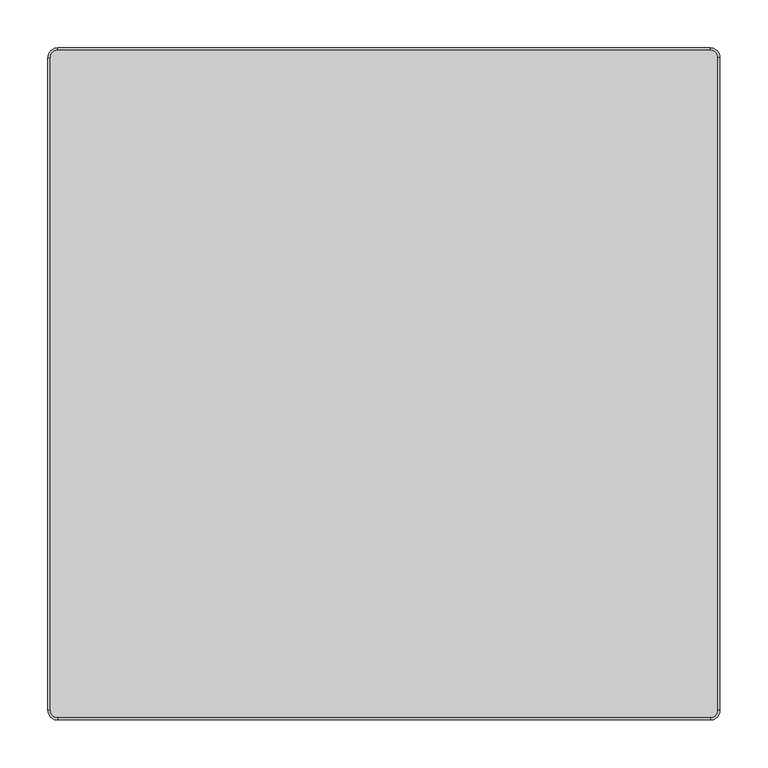
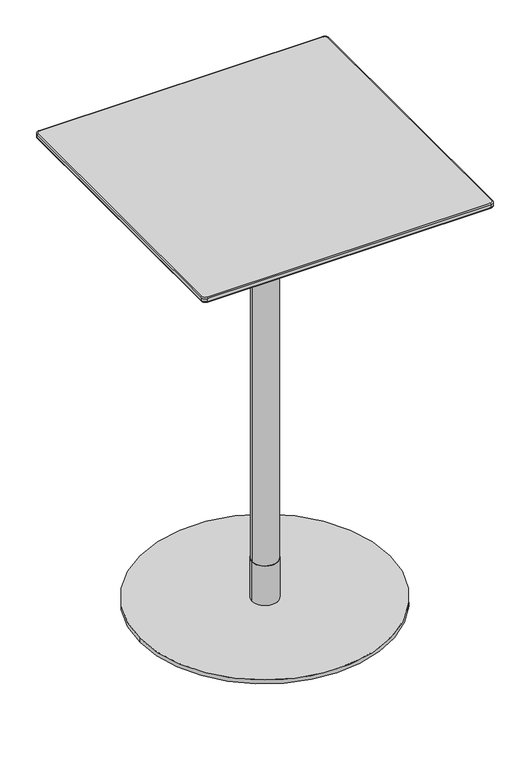
"""IFC4 building model written with IfcOpenShell, lengths in millimetres: furniture geometry."""

from ifc_helpers import new_model, si_unit, point, frame, origin, origin_with_axes, origin_2d, place, context, project, spatial, polyline, circle_curve, ellipse_curve, trimmed, segment, composite_curve, outline, extrude, source, transform, mapped, element, save
from ifc_brep_helpers import plane_surface, cylinder_surface, revolved_surface, spline_surface, advanced_brep


def furniture_ccc859fe(model_context):
    return source(origin(), model_context, "Body", "SolidModel", [
        advanced_brep(
        [(-340.0, -348.6840403, 1088.2400004), (-340.0, -350.0, 1090.1193857), (-350.0, -340.0, 1090.1193857), (-348.6840403, -340.0, 1088.2400004), (-340.0, -350.0, 1098.0), (-340.0, -348.0, 1100.0), (-348.0, -340.0, 1100.0), (-350.0, -340.0, 1098.0), (340.0, -348.6840403, 1088.2400004), (340.0, -350.0, 1090.1193857), (340.0, -350.0, 1098.0), (340.0, -348.0, 1100.0), (348.6840403, -340.0, 1088.2400004), (350.0, -340.0, 1090.1193857), (350.0, -340.0, 1098.0), (348.0, -340.0, 1100.0), (348.6840403, 340.0, 1088.2400004), (350.0, 340.0, 1090.1193857), (350.0, 340.0, 1098.0), (348.0, 340.0, 1100.0), (340.0, 348.6840403, 1088.2400004), (340.0, 350.0, 1090.1193857), (340.0, 350.0, 1098.0), (340.0, 348.0, 1100.0), (-340.0, 348.6840403, 1088.2400004), (-340.0, 350.0, 1090.1193857), (-340.0, 350.0, 1098.0), (-340.0, 348.0, 1100.0), (-348.6840403, 340.0, 1088.2400004), (-350.0, 340.0, 1090.1193857), (-350.0, 340.0, 1098.0), (-348.0, 340.0, 1100.0)],
        [
            (0, 1, circle_curve(frame((-340.0, -348.0, 1090.1193857), z_axis=(-1.0, 0.0, 0.0), x_axis=(0.0, 1.0, 0.0)), 2.0)),
            (1, 2, circle_curve(frame((-340.0, -340.0, 1090.1193857), z_axis=(0.0, 0.0, -1.0), x_axis=(-1.0, 0.0, 0.0)), 10.0)),
            (2, 3, circle_curve(frame((-348.0, -340.0, 1090.1193857), z_axis=(0.0, -1.0, 0.0), x_axis=(1.0, 0.0, 0.0)), 2.0)),
            (3, 0, circle_curve(frame((-340.0, -340.0, 1088.2400004), z_axis=(0.0, 0.0, 1.0), x_axis=(-1.0, 0.0, 0.0)), 8.6840403)),
            (4, 5, circle_curve(frame((-340.0, -348.0, 1098.0), z_axis=(-1.0, 0.0, 0.0), x_axis=(0.0, 1.0, 0.0)), 2.0)),
            (5, 6, circle_curve(frame((-340.0, -340.0, 1100.0), z_axis=(0.0, 0.0, -1.0), x_axis=(-1.0, 0.0, 0.0)), 8.0)),
            (6, 7, circle_curve(frame((-348.0, -340.0, 1098.0), z_axis=(0.0, -1.0, 0.0), x_axis=(1.0, 0.0, 0.0)), 2.0)),
            (7, 4, circle_curve(frame((-340.0, -340.0, 1098.0), z_axis=(0.0, 0.0, 1.0), x_axis=(-1.0, 0.0, 0.0)), 10.0)),
            (0, 8),
            (8, 9, circle_curve(frame((340.0, -348.0, 1090.1193857), z_axis=(-1.0, 0.0, 0.0), x_axis=(0.0, 1.0, 0.0)), 2.0)),
            (9, 1),
            (4, 10),
            (10, 11, circle_curve(frame((340.0, -348.0, 1098.0), z_axis=(-1.0, 0.0, 0.0), x_axis=(0.0, 1.0, 0.0)), 2.0)),
            (11, 5),
            (8, 12, circle_curve(frame((340.0, -340.0, 1088.2400004), z_axis=(0.0, 0.0, 1.0), x_axis=(0.0, -1.0, 0.0)), 8.6840403)),
            (12, 13, circle_curve(frame((348.0, -340.0, 1090.1193857), z_axis=(0.0, -1.0, 0.0), x_axis=(-1.0, 0.0, 0.0)), 2.0)),
            (13, 9, circle_curve(frame((340.0, -340.0, 1090.1193857), z_axis=(0.0, 0.0, -1.0), x_axis=(0.0, -1.0, 0.0)), 10.0)),
            (10, 14, circle_curve(frame((340.0, -340.0, 1098.0), z_axis=(0.0, 0.0, 1.0), x_axis=(0.0, -1.0, 0.0)), 10.0)),
            (14, 15, circle_curve(frame((348.0, -340.0, 1098.0), z_axis=(0.0, -1.0, 0.0), x_axis=(-1.0, 0.0, 0.0)), 2.0)),
            (15, 11, circle_curve(frame((340.0, -340.0, 1100.0), z_axis=(0.0, 0.0, -1.0), x_axis=(0.0, -1.0, 0.0)), 8.0)),
            (12, 16),
            (16, 17, circle_curve(frame((348.0, 340.0, 1090.1193857), z_axis=(0.0, -1.0, 0.0), x_axis=(-1.0, 0.0, 0.0)), 2.0)),
            (17, 13),
            (14, 18),
            (18, 19, circle_curve(frame((348.0, 340.0, 1098.0), z_axis=(0.0, -1.0, 0.0), x_axis=(-1.0, 0.0, 0.0)), 2.0)),
            (19, 15),
            (16, 20, circle_curve(frame((340.0, 340.0, 1088.2400004), z_axis=(0.0, 0.0, 1.0), x_axis=(1.0, 0.0, 0.0)), 8.6840403)),
            (20, 21, circle_curve(frame((340.0, 348.0, 1090.1193857), z_axis=(1.0, 0.0, 0.0), x_axis=(0.0, -1.0, 0.0)), 2.0)),
            (21, 17, circle_curve(frame((340.0, 340.0, 1090.1193857), z_axis=(0.0, 0.0, -1.0), x_axis=(1.0, 0.0, 0.0)), 10.0)),
            (18, 22, circle_curve(frame((340.0, 340.0, 1098.0), z_axis=(0.0, 0.0, 1.0), x_axis=(1.0, 0.0, 0.0)), 10.0)),
            (22, 23, circle_curve(frame((340.0, 348.0, 1098.0), z_axis=(1.0, 0.0, 0.0), x_axis=(0.0, -1.0, 0.0)), 2.0)),
            (23, 19, circle_curve(frame((340.0, 340.0, 1100.0), z_axis=(0.0, 0.0, -1.0), x_axis=(1.0, 0.0, 0.0)), 8.0)),
            (20, 24),
            (24, 25, circle_curve(frame((-340.0, 348.0, 1090.1193857), z_axis=(1.0, 0.0, 0.0), x_axis=(0.0, -1.0, 0.0)), 2.0)),
            (25, 21),
            (22, 26),
            (26, 27, circle_curve(frame((-340.0, 348.0, 1098.0), z_axis=(1.0, 0.0, 0.0), x_axis=(0.0, -1.0, 0.0)), 2.0)),
            (27, 23),
            (24, 28, circle_curve(frame((-340.0, 340.0, 1088.2400004), z_axis=(0.0, 0.0, 1.0), x_axis=(0.0, 1.0, 0.0)), 8.6840403)),
            (28, 29, circle_curve(frame((-348.0, 340.0, 1090.1193857), z_axis=(0.0, 1.0, 0.0), x_axis=(1.0, 0.0, 0.0)), 2.0)),
            (29, 25, circle_curve(frame((-340.0, 340.0, 1090.1193857), z_axis=(0.0, 0.0, -1.0), x_axis=(0.0, 1.0, 0.0)), 10.0)),
            (26, 30, circle_curve(frame((-340.0, 340.0, 1098.0), z_axis=(0.0, 0.0, 1.0), x_axis=(0.0, 1.0, 0.0)), 10.0)),
            (30, 31, circle_curve(frame((-348.0, 340.0, 1098.0), z_axis=(0.0, 1.0, 0.0), x_axis=(1.0, 0.0, 0.0)), 2.0)),
            (31, 27, circle_curve(frame((-340.0, 340.0, 1100.0), z_axis=(0.0, 0.0, -1.0), x_axis=(0.0, 1.0, 0.0)), 8.0)),
            (2, 29),
            (28, 3),
            (6, 31),
            (30, 7),
            (22, 21),
            (25, 26),
            (30, 29),
            (2, 7),
            (4, 1),
            (9, 10),
            (14, 13),
            (17, 18),
        ],
        [
            revolved_surface(trimmed(ellipse_curve(frame((-348.0, -340.0, 1090.1193857), z_axis=(0.0, 1.0, 0.0), x_axis=(1.0, 0.0, 0.0)), 2.0, 2.0), [point((-348.6840403, -340.0, 1088.2400004))], [point((-350.0, -340.0, 1090.1193857))], True, "CARTESIAN"), (-340.0, -340.0, 370.0), (0.0, 0.0, 1.0)),
            revolved_surface(trimmed(ellipse_curve(frame((-348.0, -340.0, 1098.0), z_axis=(0.0, 1.0, 0.0), x_axis=(1.0, 0.0, 0.0)), 2.0, 2.0), [point((-350.0, -340.0, 1098.0))], [point((-348.0, -340.0, 1100.0))], True, "CARTESIAN"), (-340.0, -340.0, 370.0), (0.0, 0.0, 1.0)),
            cylinder_surface(frame((-340.0, -348.0, 1090.1193857), z_axis=(1.0, 0.0, 0.0), x_axis=(0.0, 1.0, 0.0)), 2.0),
            cylinder_surface(frame((-340.0, -348.0, 1098.0), z_axis=(1.0, 0.0, 0.0), x_axis=(0.0, 1.0, 0.0)), 2.0),
            revolved_surface(trimmed(ellipse_curve(frame((340.0, -348.0, 1090.1193857), z_axis=(-1.0, 0.0, 0.0), x_axis=(0.0, 1.0, 0.0)), 2.0, 2.0), [point((340.0, -348.6840403, 1088.2400004))], [point((340.0, -350.0, 1090.1193857))], True, "CARTESIAN"), (340.0, -340.0, 370.0), (0.0, 0.0, 1.0)),
            revolved_surface(trimmed(ellipse_curve(frame((340.0, -348.0, 1098.0), z_axis=(-1.0, 0.0, 0.0), x_axis=(0.0, 1.0, 0.0)), 2.0, 2.0), [point((340.0, -350.0, 1098.0))], [point((340.0, -348.0, 1100.0))], True, "CARTESIAN"), (340.0, -340.0, 370.0), (0.0, 0.0, 1.0)),
            cylinder_surface(frame((348.0, -340.0, 1090.1193857), z_axis=(0.0, 1.0, 0.0), x_axis=(-1.0, 0.0, 0.0)), 2.0),
            cylinder_surface(frame((348.0, -340.0, 1098.0), z_axis=(0.0, 1.0, 0.0), x_axis=(-1.0, 0.0, 0.0)), 2.0),
            revolved_surface(trimmed(ellipse_curve(frame((348.0, 340.0, 1090.1193857), z_axis=(0.0, -1.0, 0.0), x_axis=(-1.0, 0.0, 0.0)), 2.0, 2.0), [point((348.6840403, 340.0, 1088.2400004))], [point((350.0, 340.0, 1090.1193857))], True, "CARTESIAN"), (340.0, 340.0, 370.0), (0.0, 0.0, 1.0)),
            revolved_surface(trimmed(ellipse_curve(frame((348.0, 340.0, 1098.0), z_axis=(0.0, -1.0, 0.0), x_axis=(-1.0, 0.0, 0.0)), 2.0, 2.0), [point((350.0, 340.0, 1098.0))], [point((348.0, 340.0, 1100.0))], True, "CARTESIAN"), (340.0, 340.0, 370.0), (0.0, 0.0, 1.0)),
            cylinder_surface(frame((340.0, 348.0, 1090.1193857), z_axis=(-1.0, 0.0, 0.0), x_axis=(0.0, -1.0, 0.0)), 2.0),
            cylinder_surface(frame((340.0, 348.0, 1098.0), z_axis=(-1.0, 0.0, 0.0), x_axis=(0.0, -1.0, 0.0)), 2.0),
            revolved_surface(trimmed(ellipse_curve(frame((-340.0, 348.0, 1090.1193857), z_axis=(1.0, 0.0, 0.0), x_axis=(0.0, -1.0, 0.0)), 2.0, 2.0), [point((-340.0, 348.6840403, 1088.2400004))], [point((-340.0, 350.0, 1090.1193857))], True, "CARTESIAN"), (-340.0, 340.0, 370.0), (0.0, 0.0, 1.0)),
            revolved_surface(trimmed(ellipse_curve(frame((-340.0, 348.0, 1098.0), z_axis=(1.0, 0.0, 0.0), x_axis=(0.0, -1.0, 0.0)), 2.0, 2.0), [point((-340.0, 350.0, 1098.0))], [point((-340.0, 348.0, 1100.0))], True, "CARTESIAN"), (-340.0, 340.0, 370.0), (0.0, 0.0, 1.0)),
            cylinder_surface(frame((-348.0, 340.0, 1090.1193857), z_axis=(0.0, -1.0, 0.0), x_axis=(1.0, 0.0, 0.0)), 2.0),
            cylinder_surface(frame((-348.0, 340.0, 1098.0), z_axis=(0.0, -1.0, 0.0), x_axis=(1.0, 0.0, 0.0)), 2.0),
            plane_surface(frame((-330.0, 350.0, 1100.0), z_axis=(0.0, 0.0, 1.0), x_axis=(-1.0, 0.0, 0.0))),
            plane_surface(frame((-330.0, 350.0, 1088.2400004), z_axis=(0.0, 0.0, -1.0), x_axis=(1.0, 0.0, 0.0))),
            plane_surface(frame((340.0, 350.0, 1100.0), z_axis=(0.0, 1.0, 0.0), x_axis=(0.0, 0.0, -1.0))),
            plane_surface(frame((-350.0, 340.0, 1100.0), z_axis=(-1.0, 0.0, 0.0), x_axis=(0.0, 0.0, -1.0))),
            plane_surface(frame((-340.0, -350.0, 1100.0), z_axis=(0.0, -1.0, 0.0), x_axis=(0.0, 0.0, -1.0))),
            plane_surface(frame((350.0, -340.0, 1100.0), z_axis=(1.0, 0.0, 0.0), x_axis=(0.0, 0.0, -1.0))),
            cylinder_surface(frame((-340.0, 340.0, 1088.2400004), z_axis=(0.0, 0.0, 1.0), x_axis=(1.0, 0.0, 0.0)), 10.0),
            cylinder_surface(frame((-340.0, -340.0, 1088.2400004), z_axis=(0.0, 0.0, 1.0), x_axis=(1.0, 0.0, 0.0)), 10.0),
            cylinder_surface(frame((340.0, -340.0, 1088.2400004), z_axis=(0.0, 0.0, 1.0), x_axis=(1.0, 0.0, 0.0)), 10.0),
            cylinder_surface(frame((340.0, 340.0, 1088.2400004), z_axis=(0.0, 0.0, 1.0), x_axis=(1.0, 0.0, 0.0)), 10.0),
        ],
        [
            (0, [[1, 2, 3, 4]]),
            (1, [[5, 6, 7, 8]]),
            (2, [[-1, 9, 10, 11]]),
            (3, [[-5, 12, 13, 14]]),
            (4, [[-10, 15, 16, 17]]),
            (5, [[-13, 18, 19, 20]]),
            (6, [[-16, 21, 22, 23]]),
            (7, [[-19, 24, 25, 26]]),
            (8, [[-22, 27, 28, 29]]),
            (9, [[-25, 30, 31, 32]]),
            (10, [[-28, 33, 34, 35]]),
            (11, [[-31, 36, 37, 38]]),
            (12, [[-34, 39, 40, 41]]),
            (13, [[-37, 42, 43, 44]]),
            (14, [[-3, 45, -40, 46]]),
            (15, [[-7, 47, -43, 48]]),
            (16, [[-6, -14, -20, -26, -32, -38, -44, -47]]),
            (17, [[-4, -46, -39, -33, -27, -21, -15, -9]]),
            (18, [[49, -35, 50, -36]]),
            (19, [[51, -45, 52, -48]]),
            (20, [[53, -11, 54, -12]]),
            (21, [[55, -23, 56, -24]]),
            (22, [[-51, -42, -50, -41]]),
            (23, [[-53, -8, -52, -2]]),
            (24, [[-55, -18, -54, -17]]),
            (25, [[-49, -30, -56, -29]]),
        ],
    ),
        advanced_brep(
        [(340.0, 348.6840403, 1088.2400004), (-340.0, 348.6840403, 1088.2400004), (-348.6840403, 340.0, 1088.2400004), (-348.6840403, -340.0, 1088.2400004), (-340.0, -348.6840403, 1088.2400004), (340.0, -348.6840403, 1088.2400004), (348.6840403, -340.0, 1088.2400004), (348.6840403, 340.0, 1088.2400004), (312.030341, 320.0, 1077.7932619), (320.0, 312.030341, 1077.7932619), (320.0, -312.030341, 1077.7932619), (312.030341, -320.0, 1077.7932619), (-312.030341, -320.0, 1077.7932619), (-320.0, -312.030341, 1077.7932619), (-320.0, 312.030341, 1077.7932619), (-312.030341, 320.0, 1077.7932619)],
        [
            (0, 1),
            (1, 2, circle_curve(frame((-340.0, 340.0, 1088.2400004), z_axis=(0.0, 0.0, 1.0), x_axis=(1.0, 0.0, 0.0)), 8.6840403)),
            (2, 3),
            (3, 4, circle_curve(frame((-340.0, -340.0, 1088.2400004), z_axis=(0.0, 0.0, 1.0), x_axis=(1.0, 0.0, 0.0)), 8.6840403)),
            (4, 5),
            (5, 6, circle_curve(frame((340.0, -340.0, 1088.2400004), z_axis=(0.0, 0.0, 1.0), x_axis=(1.0, 0.0, 0.0)), 8.6840403)),
            (6, 7),
            (7, 0, circle_curve(frame((340.0, 340.0, 1088.2400004), z_axis=(0.0, 0.0, 1.0), x_axis=(1.0, 0.0, 0.0)), 8.6840403)),
            (8, 9, circle_curve(frame((312.030341, 312.030341, 1077.7932619), z_axis=(0.0, 0.0, -1.0), x_axis=(1.0, 0.0, 0.0)), 7.969659)),
            (9, 10),
            (10, 11, circle_curve(frame((312.030341, -312.030341, 1077.7932619), z_axis=(0.0, 0.0, -1.0), x_axis=(1.0, 0.0, 0.0)), 7.969659)),
            (11, 12),
            (12, 13, circle_curve(frame((-312.030341, -312.030341, 1077.7932619), z_axis=(0.0, 0.0, -1.0), x_axis=(1.0, 0.0, 0.0)), 7.969659)),
            (13, 14),
            (14, 15, circle_curve(frame((-312.030341, 312.030341, 1077.7932619), z_axis=(0.0, 0.0, -1.0), x_axis=(1.0, 0.0, 0.0)), 7.969659)),
            (15, 8),
            (15, 1),
            (0, 8),
            (14, 2),
            (13, 3),
            (12, 4),
            (11, 5),
            (10, 6),
            (9, 7),
        ],
        [
            plane_surface(frame((0.0, 0.0, 1088.2400004), z_axis=(0.0, 0.0, 1.0), x_axis=(-1.0, 0.0, 0.0))),
            plane_surface(frame((0.0, 0.0, 1077.7932619), z_axis=(0.0, 0.0, -1.0), x_axis=(-1.0, 0.0, 0.0))),
            plane_surface(frame((0.0, 320.0, 1077.7932619), z_axis=(0.0, 0.3422110930581663, -0.9396230987943703), x_axis=(-1.0, 0.0, 0.0))),
            spline_surface(2, 1, [[(-312.030341, 320.0, 1077.7932619), (-340.0, 348.6840403, 1088.2400004)], [(-320.0, 320.0, 1077.7932619), (-348.6840403, 348.6840403, 1088.2400004)], [(-320.0, 312.030341, 1077.7932619), (-348.6840403, 340.0, 1088.2400004)]], [3, 3], [2, 2], [0.0, 1.0], [0.0, 1.0], weights=[[1.0, 1.0], [0.7071067811865476, 0.7071067811865476], [1.0, 1.0]]),
            plane_surface(frame((-320.0, 0.0, 1077.7932619), z_axis=(-0.3422110930581649, 0.0, -0.9396230987943709), x_axis=(0.0, -1.0, 0.0))),
            spline_surface(2, 1, [[(-320.0, -312.030341, 1077.7932619), (-348.6840403, -340.0, 1088.2400004)], [(-320.0, -320.0, 1077.7932619), (-348.6840403, -348.6840403, 1088.2400004)], [(-312.030341, -320.0, 1077.7932619), (-340.0, -348.6840403, 1088.2400004)]], [3, 3], [2, 2], [0.0, 1.0], [0.0, 1.0], weights=[[1.0, 1.0], [0.7071067811865476, 0.7071067811865476], [1.0, 1.0]]),
            plane_surface(frame((0.0, -320.0, 1077.7932619), z_axis=(0.0, -0.3422110930581663, -0.9396230987943703), x_axis=(1.0, 0.0, 0.0))),
            spline_surface(2, 1, [[(312.030341, -320.0, 1077.7932619), (340.0, -348.6840403, 1088.2400004)], [(320.0, -320.0, 1077.7932619), (348.6840403, -348.6840403, 1088.2400004)], [(320.0, -312.030341, 1077.7932619), (348.6840403, -340.0, 1088.2400004)]], [3, 3], [2, 2], [0.0, 1.0], [0.0, 1.0], weights=[[1.0, 1.0], [0.7071067811865476, 0.7071067811865476], [1.0, 1.0]]),
            plane_surface(frame((320.0, 0.0, 1077.7932619), z_axis=(0.34221109305816777, 0.0, -0.9396230987943699), x_axis=(0.0, 1.0, 0.0))),
            spline_surface(2, 1, [[(320.0, 312.030341, 1077.7932619), (348.6840403, 340.0, 1088.2400004)], [(320.0, 320.0, 1077.7932619), (348.6840403, 348.6840403, 1088.2400004)], [(312.030341, 320.0, 1077.7932619), (340.0, 348.6840403, 1088.2400004)]], [3, 3], [2, 2], [0.0, 1.0], [0.0, 1.0], weights=[[1.0, 1.0], [0.7071067811865476, 0.7071067811865476], [1.0, 1.0]]),
        ],
        [
            (0, [[1, 2, 3, 4, 5, 6, 7, 8]]),
            (1, [[9, 10, 11, 12, 13, 14, 15, 16]]),
            (2, [[-16, 17, -1, 18]]),
            (3, [[-15, 19, -2, -17]]),
            (4, [[-14, 20, -3, -19]]),
            (5, [[-13, 21, -4, -20]]),
            (6, [[-12, 22, -5, -21]]),
            (7, [[-11, 23, -6, -22]]),
            (8, [[-10, 24, -7, -23]]),
            (9, [[-9, -18, -8, -24]]),
        ],
    ),
        extrude(outline(polyline([(175.0000945, 174.9403258), (175.0000945, -175.0598632), (-175.0000945, -175.0598632), (-175.0000945, 174.9403258), (175.0000945, 174.9403258)])), frame((0.0, 0.0, 1072.7932592), z_axis=(0.0, 0.0, 1.0), x_axis=(1.0, 0.0, 0.0)), (0.0, 0.0, 1.0), 5.0000027),
        extrude(outline(composite_curve([segment(trimmed(circle_curve(origin_2d(), 31.0), [point((-31.0, 0.0))], [point((31.0, 0.0))], False, "CARTESIAN"), True, "CONTINUOUS"), segment(trimmed(circle_curve(origin_2d(), 31.0), [point((31.0, 0.0))], [point((-31.0, 0.0))], False, "CARTESIAN"), True, "CONTINUOUS")], self_intersect=False)), frame((0.0, 0.0, 972.7932663), z_axis=(0.0, 0.0, 1.0), x_axis=(1.0, 0.0, 0.0)), (0.0, 0.0, 1.0), 99.999993),
        extrude(outline(composite_curve([segment(trimmed(circle_curve(origin_2d(), 30.0), [point((-30.0, 0.0))], [point((30.0, 0.0))], False, "CARTESIAN"), True, "CONTINUOUS"), segment(trimmed(circle_curve(origin_2d(), 30.0), [point((30.0, 0.0))], [point((-30.0, 0.0))], False, "CARTESIAN"), True, "CONTINUOUS")], self_intersect=False)), frame((0.0, 0.0, 110.0016526), z_axis=(0.0, 0.0, 1.0), x_axis=(1.0, 0.0, 0.0)), (0.0, 0.0, 1.0), 862.7916137),
        extrude(outline(composite_curve([segment(trimmed(circle_curve(origin_2d(), 31.0), [point((-31.0, 0.0))], [point((31.0, 0.0))], False, "CARTESIAN"), True, "CONTINUOUS"), segment(trimmed(circle_curve(origin_2d(), 31.0), [point((31.0, 0.0))], [point((-31.0, 0.0))], False, "CARTESIAN"), True, "CONTINUOUS")], self_intersect=False)), frame((0.0, 0.0, 10.0000044), z_axis=(0.0, 0.0, 1.0), x_axis=(1.0, 0.0, 0.0)), (0.0, 0.0, 1.0), 100.0016481),
        extrude(outline(composite_curve([segment(trimmed(circle_curve(origin_2d(), 300.0), [point((-300.0, 0.0))], [point((300.0, 0.0))], False, "CARTESIAN"), True, "CONTINUOUS"), segment(trimmed(circle_curve(origin_2d(), 300.0), [point((300.0, 0.0))], [point((-300.0, 0.0))], False, "CARTESIAN"), True, "CONTINUOUS")], self_intersect=False)), origin_with_axes(), (0.0, 0.0, 1.0), 10.0000044),
    ])


if __name__ == "__main__":
    model = new_model("IFC4")
    model_context = context("Model", 3, world=origin())
    ifc_project = project(units=[si_unit("LENGTHUNIT", "METRE", prefix="MILLI")], contexts=[model_context])
    site = spatial("IfcSite", under=ifc_project)
    building = spatial("IfcBuilding", under=site)
    placement = place(None, origin())
    furniture_shape = furniture_ccc859fe(model_context)
    element("IfcFurniture", 1, at=placement, inside=building, context=model_context, shape_type="MappedRepresentation", body=[
        mapped(furniture_shape, transform((0.0, 0.0, 0.0), x_axis=(1.0, 0.0, 0.0), y_axis=(0.0, 1.0, 0.0), z_axis=(0.0, 0.0, 1.0))),
    ])
    save(model, "model.ifc")
